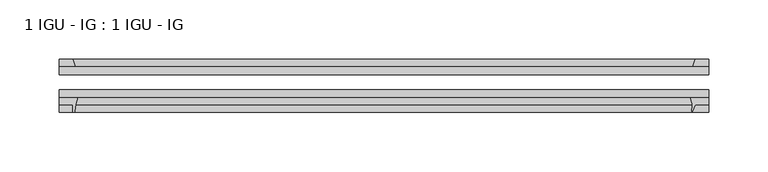
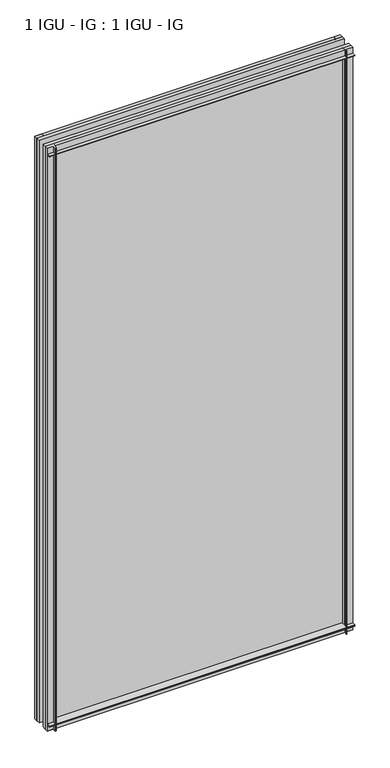
"""IFC4 building model written with IfcOpenShell, lengths in millimetres: plate geometry, 1 IGU - IG : 1 IGU - IG."""

from ifc_helpers import new_model, si_unit, point, frame, frame_2d, origin, place, context, project, spatial, polyline, circle_curve, trimmed, segment, composite_curve, outline, extrude, source, transform, mapped, element, save


def plate_1_igu_ig_1_igu_ig_3b27e2ad(model_context):
    return source(origin(), model_context, "Body", "SweptSolid", [
        extrude(outline(polyline([(273.1261935, -31.75), (273.1261935, -38.1), (-273.1261935, -38.1), (-273.1261935, -31.75), (273.1261935, -31.75)])), frame((0.0, 0.0, -11.1125), z_axis=(0.0, 0.0, 1.0), x_axis=(1.0, 0.0, 0.0)), (0.0, 0.0, 1.0), 1101.7245636),
        extrude(outline(polyline([(-273.1261935, -12.7), (273.1261935, -12.7), (273.1261935, -19.05), (-273.1261935, -19.05), (-273.1261935, -12.7)])), frame((0.0, 0.0, -11.1125), z_axis=(0.0, 0.0, 1.0), x_axis=(1.0, 0.0, 0.0)), (0.0, 0.0, 1.0), 1101.7245636),
        extrude(outline(polyline([(273.1261935, -12.7), (259.894815, -12.7), (262.0000921, -6.35), (273.1261935, -6.35), (273.1261935, -12.7)])), frame((0.0, 0.0, -11.1125), z_axis=(0.0, 0.0, 1.0), x_axis=(1.0, 0.0, 0.0)), (0.0, 0.0, 1.0), 1101.7245636),
        extrude(outline(composite_curve([segment(polyline([(257.8189128, -38.1), (273.1261935, -38.1), (273.1261935, -44.45), (262.0000921, -44.45), (259.5926807, -50.2620054)]), True, "CONTINUOUS"), segment(trimmed(circle_curve(frame_2d((259.6046479, -49.5000993)), 0.762), [point((259.5926807, -50.2620054))], [point((258.8541482, -49.3682124))], False, "CARTESIAN"), True, "CONTINUOUS"), segment(trimmed(circle_curve(frame_2d((222.8786717, -43.0461661)), 36.5267461), [point((258.8541482, -49.3682124))], [point((259.3452196, -45.1423684))], True, "CARTESIAN"), True, "CONTINUOUS"), segment(trimmed(circle_curve(frame_2d((249.8359173, -44.5957463)), 9.525), [point((259.3452196, -45.1423684))], [point((259.0786966, -42.2942999))], True, "CARTESIAN"), True, "CONTINUOUS"), segment(trimmed(circle_curve(frame_2d((214.5598965, -53.3794536)), 45.8781451), [point((259.0786966, -42.2942999))], [point((257.8189128, -38.1))], True, "CARTESIAN"), True, "CONTINUOUS")], self_intersect=False)), frame((0.0, 0.0, -11.1125), z_axis=(0.0, 0.0, 1.0), x_axis=(1.0, 0.0, 0.0)), (0.0, 0.0, 1.0), 1101.7245636),
        extrude(outline(composite_curve([segment(polyline([(-273.1261935, -38.1), (-257.8325142, -38.1)]), True, "CONTINUOUS"), segment(trimmed(circle_curve(frame_2d((-214.5734979, -53.3794536)), 45.8781451), [point((-257.8325142, -38.1))], [point((-260.3337507, -50.0925922))], True, "CARTESIAN"), True, "CONTINUOUS"), segment(trimmed(circle_curve(frame_2d((-261.0937926, -50.038)), 0.762), [point((-260.3337507, -50.0925922))], [point((-261.0937926, -50.8))], False, "CARTESIAN"), True, "CONTINUOUS"), segment(polyline([(-261.0937926, -50.8), (-262.0136935, -50.8), (-262.0136935, -44.45), (-273.1261935, -44.45), (-273.1261935, -38.1)]), True, "CONTINUOUS")], self_intersect=False)), frame((0.0, 0.0, -11.1125), z_axis=(0.0, 0.0, 1.0), x_axis=(1.0, 0.0, 0.0)), (0.0, 0.0, 1.0), 1101.7245636),
        extrude(outline(polyline([(-259.9084164, -12.7), (-273.1261935, -12.7), (-273.1261935, -6.35), (-262.0136935, -6.35), (-259.9084164, -12.7)])), frame((0.0, 0.0, -11.1125), z_axis=(0.0, 0.0, 1.0), x_axis=(1.0, 0.0, 0.0)), (0.0, 0.0, 1.0), 1101.7245636),
        extrude(outline(polyline([(-12.7, -11.1125), (-12.7, 2.1052771), (-6.35, 0.0), (-6.35, -11.1125), (-12.7, -11.1125)])), frame((-273.1261935, 0.0, 0.0), z_axis=(1.0, 0.0, 0.0), x_axis=(0.0, 1.0, 0.0)), (0.0, 0.0, 1.0), 546.252387),
        extrude(outline(composite_curve([segment(polyline([(-38.1, 4.1811793), (-38.1, -11.1125), (-44.45, -11.1125), (-44.45, 0.0), (-50.8, 0.0), (-50.8, 0.9199009)]), True, "CONTINUOUS"), segment(trimmed(circle_curve(frame_2d((-50.038, 0.9199009)), 0.762), [point((-50.8, 0.9199009))], [point((-50.0925922, 1.6799428))], False, "CARTESIAN"), True, "CONTINUOUS"), segment(trimmed(circle_curve(frame_2d((-53.3794536, 47.4401956)), 45.8781451), [point((-50.0925922, 1.6799428))], [point((-38.1, 4.1811793))], True, "CARTESIAN"), True, "CONTINUOUS")], self_intersect=False)), frame((-273.1261935, 0.0, 0.0), z_axis=(1.0, 0.0, 0.0), x_axis=(0.0, 1.0, 0.0)), (0.0, 0.0, 1.0), 546.252387),
        extrude(outline(polyline([(-6.35, 1079.4995636), (-12.7, 1077.3942865), (-12.7, 1090.6120636), (-6.35, 1090.6120636), (-6.35, 1079.4995636)])), frame((-273.1261935, 0.0, 0.0), z_axis=(1.0, 0.0, 0.0), x_axis=(0.0, 1.0, 0.0)), (0.0, 0.0, 1.0), 546.252387),
        extrude(outline(composite_curve([segment(polyline([(-38.1, 1090.6120636), (-38.1, 1075.3183843)]), True, "CONTINUOUS"), segment(trimmed(circle_curve(frame_2d((-53.3794536, 1032.059368)), 45.8781451), [point((-38.1, 1075.3183843))], [point((-50.0925922, 1077.8196208))], True, "CARTESIAN"), True, "CONTINUOUS"), segment(trimmed(circle_curve(frame_2d((-50.038, 1078.5796627)), 0.762), [point((-50.0925922, 1077.8196208))], [point((-50.8, 1078.5796627))], False, "CARTESIAN"), True, "CONTINUOUS"), segment(polyline([(-50.8, 1078.5796627), (-50.8, 1079.4995636), (-44.45, 1079.4995636), (-44.45, 1090.6120636), (-38.1, 1090.6120636)]), True, "CONTINUOUS")], self_intersect=False)), frame((-273.1261935, 0.0, 0.0), z_axis=(1.0, 0.0, 0.0), x_axis=(0.0, 1.0, 0.0)), (0.0, 0.0, 1.0), 546.252387),
    ])


if __name__ == "__main__":
    model = new_model("IFC4")
    model_context = context("Model", 3, world=origin())
    ifc_project = project(units=[si_unit("LENGTHUNIT", "METRE", prefix="MILLI")], contexts=[model_context])
    site = spatial("IfcSite", under=ifc_project)
    building = spatial("IfcBuilding", under=site)
    placement = place(None, origin())
    plate_1_igu_ig_1_igu_ig_shape = plate_1_igu_ig_1_igu_ig_3b27e2ad(model_context)
    element("IfcPlate", 1, ObjectType="1 IGU - IG : 1 IGU - IG", at=placement, inside=building, context=model_context, shape_type="MappedRepresentation", body=[
        mapped(plate_1_igu_ig_1_igu_ig_shape, transform((0.0, 0.0, 0.0), x_axis=(1.0, 0.0, 0.0), y_axis=(0.0, 1.0, 0.0), z_axis=(0.0, 0.0, 1.0))),
    ])
    save(model, "model.ifc")
